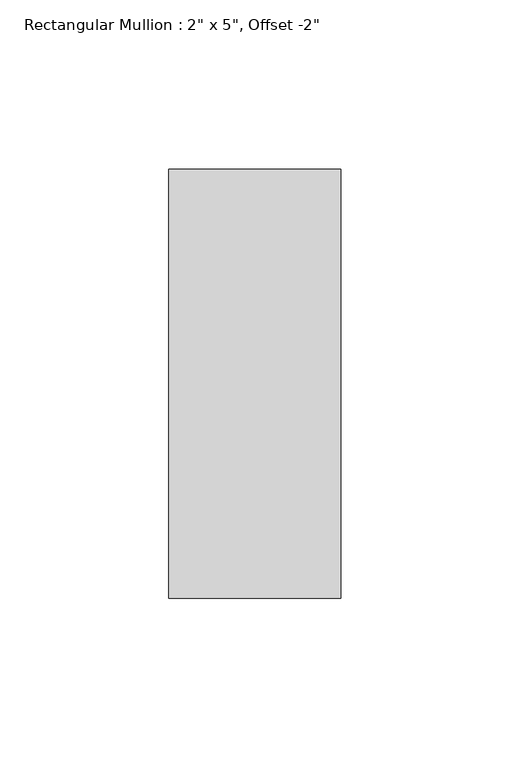
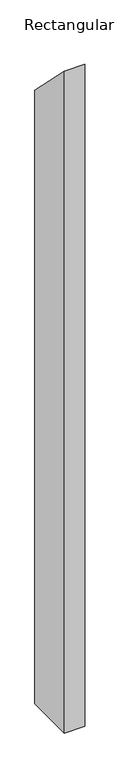
"""IFC4 building model written with IfcOpenShell, lengths in millimetres: member geometry."""

from ifc_helpers import new_model, si_unit, frame, origin, place, context, project, spatial, polyline, outline, extrude, source, transform, mapped, element, save


def member_db97cecd(model_context):
    return source(origin(), model_context, "Body", "SweptSolid", [
        extrude(outline(polyline([(-12.7, 12.7), (114.3, -114.3), (114.3, -1724.025), (-12.7, -1724.025), (-12.7, 12.7)])), frame((-50.8, 0.0, 0.0), z_axis=(1.0, 0.0, 0.0), x_axis=(0.0, 1.0, 0.0)), (0.0, 0.0, 1.0), 50.8),
    ])


if __name__ == "__main__":
    model = new_model("IFC4")
    model_context = context("Model", 3, world=origin())
    ifc_project = project(units=[si_unit("LENGTHUNIT", "METRE", prefix="MILLI")], contexts=[model_context])
    site = spatial("IfcSite", under=ifc_project)
    building = spatial("IfcBuilding", under=site)
    placement = place(None, origin())
    member_shape = member_db97cecd(model_context)
    element("IfcMember", 1, ObjectType="Rectangular Mullion : 2\" x 5\", Offset -2\"", at=placement, inside=building, context=model_context, shape_type="MappedRepresentation", body=[
        mapped(member_shape, transform((0.0, 0.0, 0.0), x_axis=(1.0, 0.0, 0.0), y_axis=(0.0, 1.0, 0.0), z_axis=(0.0, 0.0, 1.0))),
    ])
    save(model, "model.ifc")
